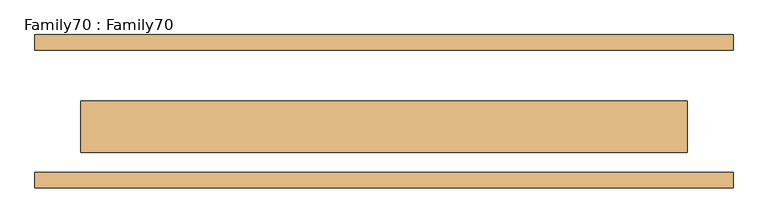
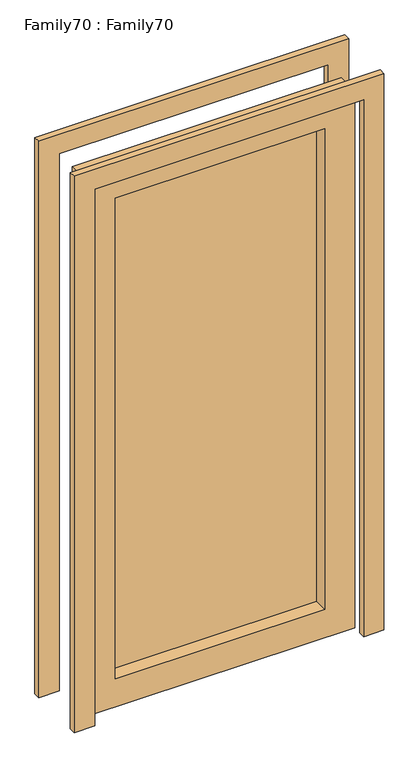
"""IFC4 building model written with IfcOpenShell, lengths in millimetres: door geometry, Family70 : Family70."""

from ifc_helpers import new_model, si_unit, frame, origin, place, context, project, spatial, polyline, outline, extrude, source, transform, mapped, element, save


def family70_family70_43cb72ca(model_context):
    return source(origin(), model_context, "Body", "SweptSolid", [
        extrude(outline(polyline([(2090.0, -495.0), (2090.0, 495.0), (0.0, 495.0), (0.0, 570.0), (2165.0, 570.0), (2165.0, -570.0), (0.0, -570.0), (0.0, -495.0), (2090.0, -495.0)])), frame((0.0, 100.0, 0.0), z_axis=(0.0, 1.0, 0.0), x_axis=(0.0, 0.0, 1.0)), (0.0, 0.0, 1.0), 25.0),
        extrude(outline(polyline([(2165.0, -570.0), (0.0, -570.0), (0.0, -495.0), (2090.0, -495.0), (2090.0, 495.0), (0.0, 495.0), (0.0, 570.0), (2165.0, 570.0), (2165.0, -570.0)])), frame((0.0, -125.0, 0.0), z_axis=(0.0, 1.0, 0.0), x_axis=(0.0, 0.0, 1.0)), (0.0, 0.0, 1.0), 25.0),
        extrude(outline(polyline([(386.0, 14.0), (386.0, 10.0), (-386.0, 10.0), (-386.0, 14.0), (386.0, 14.0)])), frame((0.0, 0.0, 109.0), z_axis=(0.0, 0.0, 1.0), x_axis=(1.0, 0.0, 0.0)), (0.0, 0.0, 1.0), 1872.0),
        extrude(outline(polyline([(-386.0, -10.0), (386.0, -10.0), (386.0, -14.0), (-386.0, -14.0), (-386.0, -10.0)])), frame((0.0, 0.0, 109.0), z_axis=(0.0, 0.0, 1.0), x_axis=(1.0, 0.0, 0.0)), (0.0, 0.0, 1.0), 1872.0),
        extrude(outline(polyline([(2090.0, 495.0), (2090.0, -495.0), (0.0, -495.0), (0.0, 495.0), (2090.0, 495.0)]), holes=[polyline([(109.0, 386.0), (109.0, -386.0), (1981.0, -386.0), (1981.0, 386.0), (109.0, 386.0)])]), frame((0.0, -67.0, 0.0), z_axis=(0.0, 1.0, 0.0), x_axis=(0.0, 0.0, 1.0)), (0.0, 0.0, 1.0), 84.0),
    ])


if __name__ == "__main__":
    model = new_model("IFC4")
    model_context = context("Model", 3, world=origin())
    ifc_project = project(units=[si_unit("LENGTHUNIT", "METRE", prefix="MILLI")], contexts=[model_context])
    site = spatial("IfcSite", under=ifc_project)
    building = spatial("IfcBuilding", under=site)
    placement = place(None, origin())
    family70_family70_shape = family70_family70_43cb72ca(model_context)
    element("IfcDoor", 1, ObjectType="Family70 : Family70", at=placement, inside=building, context=model_context, shape_type="MappedRepresentation", body=[
        mapped(family70_family70_shape, transform((0.0, 0.0, 0.0), x_axis=(1.0, 0.0, 0.0), y_axis=(0.0, 1.0, 0.0), z_axis=(0.0, 0.0, 1.0))),
    ])
    save(model, "model.ifc")
